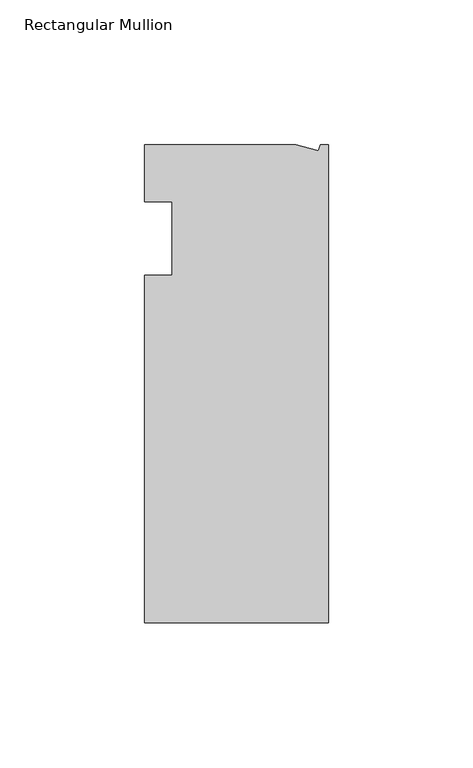
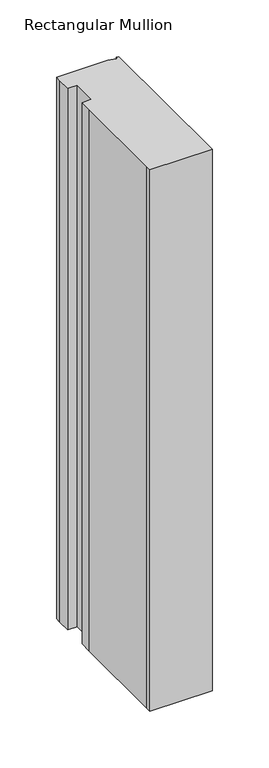
"""IFC4 building model written with IfcOpenShell, lengths in millimetres: member geometry, Rectangular Mullion."""

from ifc_helpers import new_model, si_unit, frame, origin, place, context, project, spatial, polyline, outline, extrude, source, transform, mapped, element, save


def rectangular_mullion_99d970cf(model_context):
    return source(origin(), model_context, "Body", "SweptSolid", [
        extrude(outline(polyline([(-11.1265412, 19.6597595), (-3.3457217, 17.5748952), (-2.787084, 19.6597595), (0.0, 19.6597595), (0.0, -145.4402405), (-63.5, -145.4402405), (-63.5, -139.0912246), (-63.5, -38.3358837), (-63.5, -25.4), (-53.975, -25.4), (-53.975, 0.0), (-63.5, 0.0), (-63.5, 13.6093403), (-63.5, 19.6597595), (-11.1265412, 19.6597595)])), frame((0.0, 0.0, -584.2), z_axis=(0.0, 0.0, 1.0), x_axis=(1.0, 0.0, 0.0)), (0.0, 0.0, 1.0), 584.2),
    ])


if __name__ == "__main__":
    model = new_model("IFC4")
    model_context = context("Model", 3, world=origin())
    ifc_project = project(units=[si_unit("LENGTHUNIT", "METRE", prefix="MILLI")], contexts=[model_context])
    site = spatial("IfcSite", under=ifc_project)
    building = spatial("IfcBuilding", under=site)
    placement = place(None, origin())
    rectangular_mullion_shape = rectangular_mullion_99d970cf(model_context)
    element("IfcMember", 1, ObjectType="Rectangular Mullion", at=placement, inside=building, context=model_context, shape_type="MappedRepresentation", body=[
        mapped(rectangular_mullion_shape, transform((0.0, 0.0, 0.0), x_axis=(1.0, 0.0, 0.0), y_axis=(0.0, 1.0, 0.0), z_axis=(0.0, 0.0, 1.0))),
    ])
    save(model, "model.ifc")
